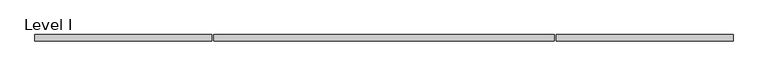
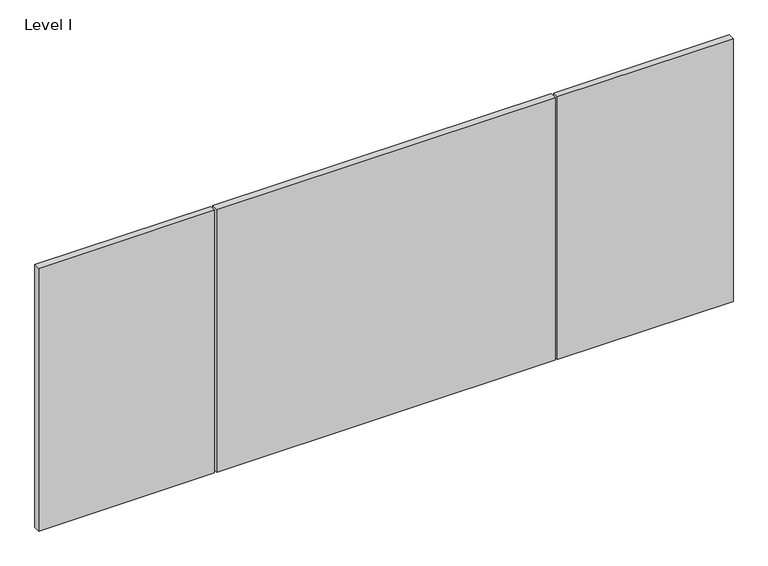
"""IFC4 building model written with IfcOpenShell, lengths in millimetres: proxy geometry, Level I."""

from ifc_helpers import new_model, si_unit, frame, origin, place, context, project, spatial, polyline, outline, extrude, source, transform, mapped, element, save


def level_i_4afae145(model_context):
    return source(origin(), model_context, "Body", "SweptSolid", [
        extrude(outline(polyline([(-1012.8305562, -9.525), (-1012.8305562, 9.525), (-500.0498, 9.525), (-500.0498, -9.525), (-1012.8305562, -9.525)])), frame((0.0, 0.0, 3.175), z_axis=(0.0, 0.0, 1.0), x_axis=(1.0, 0.0, 0.0)), (0.0, 0.0, 1.0), 810.768),
        extrude(outline(polyline([(1012.8305563, 9.525), (1012.8305563, -9.525), (500.0498, -9.525), (500.0498, 9.525), (1012.8305563, 9.525)])), frame((0.0, 0.0, 3.175), z_axis=(0.0, 0.0, 1.0), x_axis=(1.0, 0.0, 0.0)), (0.0, 0.0, 1.0), 810.768),
        extrude(outline(polyline([(493.6998, -9.525), (-493.6998, -9.525), (-493.6998, 9.525), (493.6998, 9.525), (493.6998, -9.525)])), frame((0.0, 0.0, 3.175), z_axis=(0.0, 0.0, 1.0), x_axis=(1.0, 0.0, 0.0)), (0.0, 0.0, 1.0), 810.768),
    ])


if __name__ == "__main__":
    model = new_model("IFC4")
    model_context = context("Model", 3, world=origin())
    ifc_project = project(units=[si_unit("LENGTHUNIT", "METRE", prefix="MILLI")], contexts=[model_context])
    site = spatial("IfcSite", under=ifc_project)
    building = spatial("IfcBuilding", under=site)
    placement = place(None, origin())
    level_i_shape = level_i_4afae145(model_context)
    element("IfcBuildingElementProxy", 1, Name="Level I", ObjectType="Level I", at=placement, inside=building, context=model_context, shape_type="MappedRepresentation", body=[
        mapped(level_i_shape, transform((0.0, 0.0, 0.0), x_axis=(1.0, 0.0, 0.0), y_axis=(0.0, 1.0, 0.0), z_axis=(0.0, 0.0, 1.0))),
    ])
    save(model, "model.ifc")
